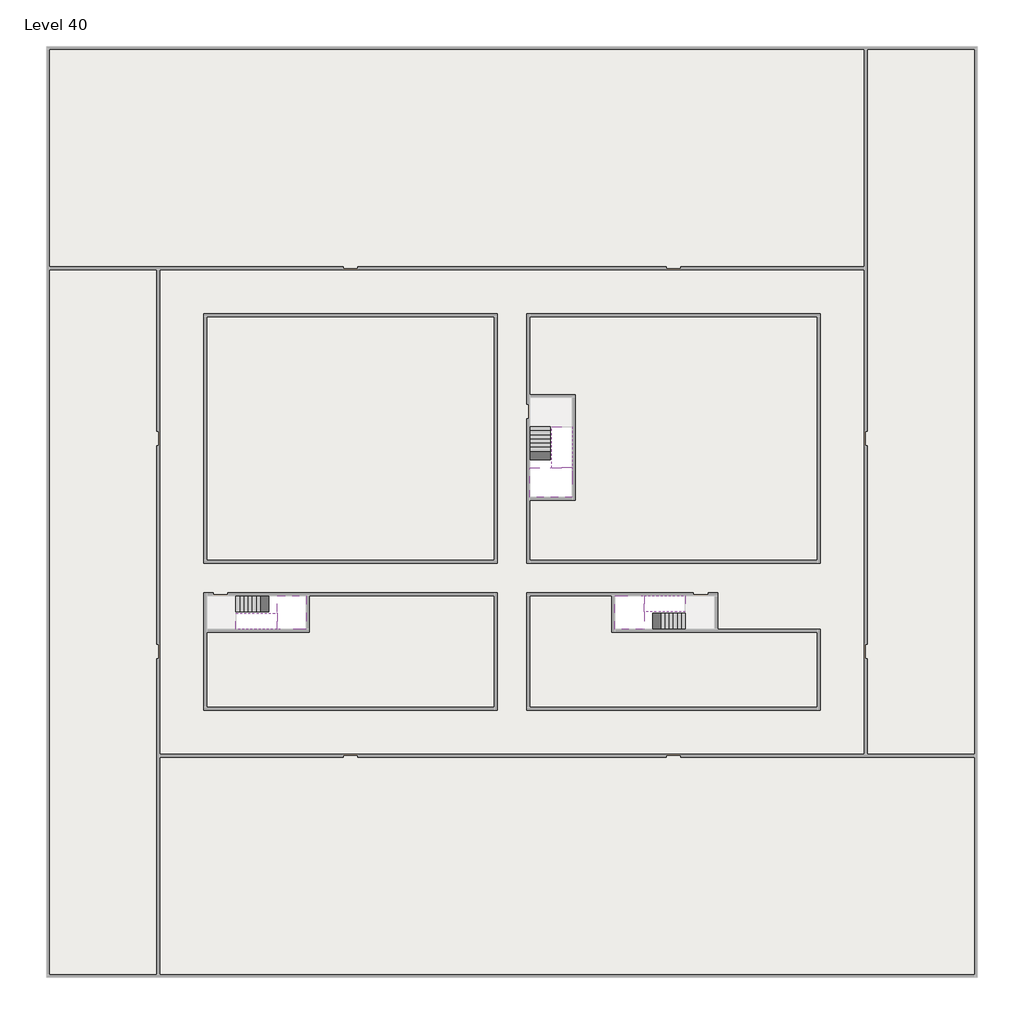
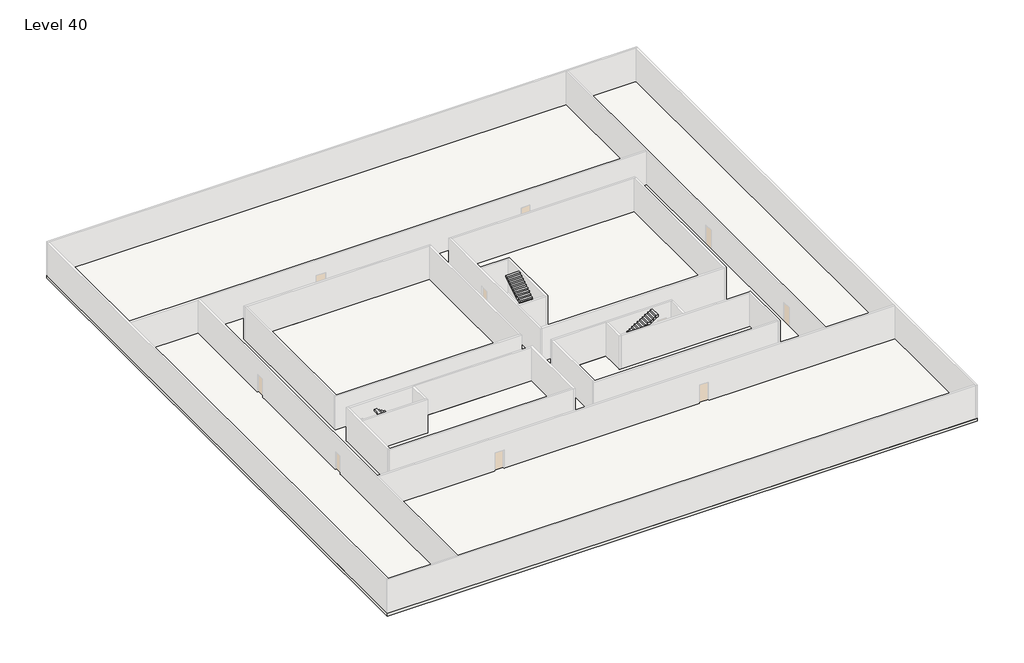
# One storey, part 2 of 2: 6 stair flights, 5 slabs.
"""IFC4 building model written with IfcOpenShell, lengths in millimetres."""

from ifc_helpers import new_model, si_unit, frame, origin, place, context, project, spatial, polyline, outline, extrude, faceted_brep, element, save

model = new_model("IFC4")

# Units and contexts
model_context = context("Model", 3, world=origin())
ifc_project = project(units=[si_unit("LENGTHUNIT", "METRE", prefix="MILLI")], contexts=[model_context])

# Site, building, storey
site = spatial("IfcSite", under=ifc_project)
building = spatial("IfcBuilding", under=site)
storey = spatial("IfcBuildingStorey", under=building, Name="Level 40", Elevation=148200.0)

# Slabs
placement = place(None, origin())
element("IfcSlab", 1, at=placement, inside=storey, context=model_context, shape_type="Brep", body=[
    faceted_brep([(8190.1058784, -42918.09644, 150100.0), (8190.1058784, -44018.09644, 150100.0), (8190.1058784, -44118.09644, 150100.0), (8190.1058784, -45218.09644, 150100.0), (8390.7194421, -45218.09644, 150100.0), (10190.1058784, -45218.09644, 150100.0), (10190.1058784, -42918.09644, 150100.0), (8269.4923146, -42918.09644, 150100.0), (8190.1058784, -42918.09644, 149927.2727273), (8190.1058784, -42918.09644, 149751.0278478), (8190.1058784, -44018.09644, 149751.0278478), (8190.1058784, -44018.09644, 149800.0), (8190.1058784, -44118.09644, 149800.0), (8190.1058784, -44118.09644, 149923.7551205), (8190.1058784, -45218.09644, 149923.7551205), (8390.7194421, -45218.09644, 149800.0), (10190.1058784, -45218.09644, 149800.0), (10190.1058784, -42918.09644, 149800.0), (8269.4923146, -42918.09644, 149800.0), (8390.7194421, -44118.09644, 149800.0), (8269.4923146, -44018.09644, 149800.0)], [[[0, 1, 2, 3, 4, 5, 6, 7]], [[1, 0, 8, 9, 10, 11]], [[2, 1, 11, 12, 13]], [[3, 2, 13, 14]], [[3, 14, 15, 16, 5, 4]], [[6, 5, 16, 17]], [[9, 8, 0, 7, 6, 17, 18]], [[19, 12, 11, 20, 18, 17, 16, 15]], [[12, 19, 13]], [[18, 20, 10, 9]], [[20, 11, 10]], [[19, 15, 14, 13]]]),
])
element("IfcSlab", 2, at=placement, inside=storey, context=model_context, shape_type="Brep", body=[
    faceted_brep([(33190.1058784, -45218.09644, 150100.0), (33190.1058784, -44118.09644, 150100.0), (33190.1058784, -44018.09644, 150100.0), (33190.1058784, -42918.09644, 150100.0), (32989.4923146, -42918.09644, 150100.0), (31190.1058784, -42918.09644, 150100.0), (31190.1058784, -45218.09644, 150100.0), (33110.7194421, -45218.09644, 150100.0), (33190.1058784, -45218.09644, 149927.2727273), (33190.1058784, -45218.09644, 149751.0278478), (33190.1058784, -44118.09644, 149751.0278478), (33190.1058784, -44118.09644, 149800.0), (33190.1058784, -44018.09644, 149800.0), (33190.1058784, -44018.09644, 149923.7551205), (33190.1058784, -42918.09644, 149923.7551205), (32989.4923146, -42918.09644, 149800.0), (31190.1058784, -42918.09644, 149800.0), (31190.1058784, -45218.09644, 149800.0), (33110.7194421, -45218.09644, 149800.0), (32989.4923146, -44018.09644, 149800.0), (33110.7194421, -44118.09644, 149800.0)], [[[0, 1, 2, 3, 4, 5, 6, 7]], [[1, 0, 8, 9, 10, 11]], [[2, 1, 11, 12, 13]], [[3, 2, 13, 14]], [[3, 14, 15, 16, 5, 4]], [[6, 5, 16, 17]], [[9, 8, 0, 7, 6, 17, 18]], [[19, 12, 11, 20, 18, 17, 16, 15]], [[12, 19, 13]], [[18, 20, 10, 9]], [[20, 11, 10]], [[19, 15, 14, 13]]]),
])
element("IfcSlab", 3, at=placement, inside=storey, context=model_context, shape_type="Brep", body=[
    faceted_brep([(26790.1058784, -34218.09644, 150100.0), (25390.1058784, -34218.09644, 150100.0), (25390.1058784, -34297.4828763, 150100.0), (25390.1058784, -36218.09644, 150100.0), (28290.1058784, -36218.09644, 150100.0), (28290.1058784, -34418.7100038, 150100.0), (28290.1058784, -34218.09644, 150100.0), (26890.1058784, -34218.09644, 150100.0), (26790.1058784, -34218.09644, 149800.0), (26790.1058784, -34218.09644, 149751.0278478), (25390.1058784, -34218.09644, 149751.0278478), (25390.1058784, -34218.09644, 149927.2727273), (25390.1058784, -34297.4828763, 149800.0), (25390.1058784, -36218.09644, 149800.0), (28290.1058784, -36218.09644, 149800.0), (28290.1058784, -34418.7100038, 149800.0), (28290.1058784, -34218.09644, 149923.7551205), (26890.1058784, -34218.09644, 149923.7551205), (26890.1058784, -34218.09644, 149800.0), (26890.1058784, -34418.7100038, 149800.0), (26790.1058784, -34297.4828763, 149800.0)], [[[0, 1, 2, 3, 4, 5, 6, 7]], [[1, 0, 8, 9, 10, 11]], [[1, 11, 10, 12, 13, 3, 2]], [[4, 3, 13, 14]], [[4, 14, 15, 16, 6, 5]], [[7, 6, 16, 17]], [[0, 7, 17, 18, 8]], [[18, 19, 15, 14, 13, 12, 20, 8]], [[19, 18, 17]], [[20, 12, 10, 9]], [[8, 20, 9]], [[15, 19, 17, 16]]]),
])
element("IfcSlab", 4, at=placement, inside=storey, context=model_context, shape_type="SweptSolid", body=[
    extrude(outline(polyline([(55890.1058784, -5518.09644), (55890.1058784, -68918.09644), (-7509.8941216, -68918.09644), (-7509.8941216, -5518.09644), (55890.1058784, -5518.09644)]), holes=[polyline([(22990.1058784, -23918.09644), (3390.1058784, -23918.09644), (3390.1058784, -40518.09644), (22990.1058784, -40518.09644), (22990.1058784, -23918.09644)]), polyline([(44990.1058784, -23918.09644), (25390.1058784, -23918.09644), (25390.1058784, -40518.09644), (44990.1058784, -40518.09644), (44990.1058784, -23918.09644)]), polyline([(37990.1058784, -42918.09644), (25390.1058784, -42918.09644), (25390.1058784, -50518.09644), (44990.1058784, -50518.09644), (44990.1058784, -45418.09644), (37990.1058784, -45418.09644), (37990.1058784, -42918.09644)]), polyline([(22990.1058784, -42918.09644), (3390.1058784, -42918.09644), (3390.1058784, -50518.09644), (22990.1058784, -50518.09644), (22990.1058784, -42918.09644)])]), frame((0.0, 0.0, 147900.0), z_axis=(0.0, 0.0, 1.0), x_axis=(1.0, 0.0, 0.0)), (0.0, 0.0, 1.0), 300.0),
])
element("IfcSlab", 5, at=placement, inside=storey, context=model_context, shape_type="SweptSolid", body=[
    extrude(outline(polyline([(22990.1058784, -23918.09644), (22990.1058784, -40518.09644), (3390.1058784, -40518.09644), (3390.1058784, -23918.09644), (22990.1058784, -23918.09644)])), frame((0.0, 0.0, 147900.0), z_axis=(0.0, 0.0, 1.0), x_axis=(1.0, 0.0, 0.0)), (0.0, 0.0, 1.0), 300.0),
    extrude(outline(polyline([(44990.1058784, -23918.09644), (44990.1058784, -40518.09644), (25390.1058784, -40518.09644), (25390.1058784, -36418.09644), (28490.1058784, -36418.09644), (28490.1058784, -29218.09644), (25390.1058784, -29218.09644), (25390.1058784, -23918.09644), (44990.1058784, -23918.09644)])), frame((0.0, 0.0, 147900.0), z_axis=(0.0, 0.0, 1.0), x_axis=(1.0, 0.0, 0.0)), (0.0, 0.0, 1.0), 300.0),
    extrude(outline(polyline([(22990.1058784, -42918.09644), (22990.1058784, -50518.09644), (3390.1058784, -50518.09644), (3390.1058784, -45418.09644), (10390.1058784, -45418.09644), (10390.1058784, -42918.09644), (22990.1058784, -42918.09644)])), frame((0.0, 0.0, 147900.0), z_axis=(0.0, 0.0, 1.0), x_axis=(1.0, 0.0, 0.0)), (0.0, 0.0, 1.0), 300.0),
    extrude(outline(polyline([(30990.1058784, -42918.09644), (30990.1058784, -45418.09644), (44990.1058784, -45418.09644), (44990.1058784, -50518.09644), (25390.1058784, -50518.09644), (25390.1058784, -42918.09644), (30990.1058784, -42918.09644)])), frame((0.0, 0.0, 147900.0), z_axis=(0.0, 0.0, 1.0), x_axis=(1.0, 0.0, 0.0)), (0.0, 0.0, 1.0), 300.0),
])

# Stair flights
element("IfcStairFlight", 6, at=placement, inside=storey, context=model_context, shape_type="Brep", body=[
    faceted_brep([(5670.1058784, -42918.09644, 148372.7272727), (5390.1058784, -42918.09644, 148372.7272727), (5390.1058784, -44018.09644, 148372.7272727), (5670.1058784, -44018.09644, 148372.7272727), (5670.1058784, -42918.09644, 148200.0), (5390.1058784, -42918.09644, 148200.0), (5390.1058784, -44018.09644, 148200.0), (5670.1058784, -44018.09644, 148200.0), (5950.1058784, -42918.09644, 148545.4545455), (5670.1058784, -42918.09644, 148545.4545455), (5670.1058784, -44018.09644, 148545.4545455), (5950.1058784, -44018.09644, 148545.4545455), (5950.1058784, -42918.09644, 148369.209666), (5675.8081041, -42918.09644, 148200.0), (5675.8081041, -44018.09644, 148200.0), (5950.1058784, -44018.09644, 148369.209666), (6230.1058784, -42918.09644, 148718.1818182), (5950.1058784, -42918.09644, 148718.1818182), (5950.1058784, -44018.09644, 148718.1818182), (6230.1058784, -44018.09644, 148718.1818182), (6230.1058784, -42918.09644, 148541.9369387), (6230.1058784, -44018.09644, 148541.9369387), (6510.1058784, -42918.09644, 148890.9090909), (6230.1058784, -42918.09644, 148890.9090909), (6230.1058784, -44018.09644, 148890.9090909), (6510.1058784, -44018.09644, 148890.9090909), (6510.1058784, -42918.09644, 148714.6642114), (6510.1058784, -44018.09644, 148714.6642114), (6790.1058784, -42918.09644, 149063.6363636), (6510.1058784, -42918.09644, 149063.6363636), (6510.1058784, -44018.09644, 149063.6363636), (6790.1058784, -44018.09644, 149063.6363636), (6790.1058784, -42918.09644, 148887.3914841), (6790.1058784, -44018.09644, 148887.3914841), (7070.1058784, -42918.09644, 149236.3636364), (6790.1058784, -42918.09644, 149236.3636364), (6790.1058784, -44018.09644, 149236.3636364), (7070.1058784, -44018.09644, 149236.3636364), (7070.1058784, -42918.09644, 149060.1187569), (7070.1058784, -44018.09644, 149060.1187569), (7350.1058784, -42918.09644, 149409.0909091), (7070.1058784, -42918.09644, 149409.0909091), (7070.1058784, -44018.09644, 149409.0909091), (7350.1058784, -44018.09644, 149409.0909091), (7350.1058784, -42918.09644, 149232.8460296), (7350.1058784, -44018.09644, 149232.8460296), (7630.1058784, -42918.09644, 149581.8181818), (7350.1058784, -42918.09644, 149581.8181818), (7350.1058784, -44018.09644, 149581.8181818), (7630.1058784, -44018.09644, 149581.8181818), (7630.1058784, -42918.09644, 149405.5733023), (7630.1058784, -44018.09644, 149405.5733023), (7910.1058784, -42918.09644, 149754.5454545), (7630.1058784, -42918.09644, 149754.5454545), (7630.1058784, -44018.09644, 149754.5454545), (7910.1058784, -44018.09644, 149754.5454545), (7910.1058784, -42918.09644, 149578.3005751), (7910.1058784, -44018.09644, 149578.3005751), (8190.1058784, -42918.09644, 149927.2727273), (7910.1058784, -42918.09644, 149927.2727273), (7910.1058784, -44018.09644, 149927.2727273), (8190.1058784, -44018.09644, 149927.2727273), (8190.1058784, -42918.09644, 149751.0278478), (8190.1058784, -44018.09644, 149751.0278478), (8190.1058784, -44018.09644, 149800.0)], [[[0, 1, 2, 3]], [[1, 0, 4, 5]], [[2, 1, 5, 6]], [[3, 2, 6, 7]], [[8, 9, 10, 11]], [[4, 0, 9, 8, 12, 13]], [[0, 3, 10, 9]], [[3, 7, 14, 15, 11, 10]], [[16, 17, 18, 19]], [[17, 16, 20, 12, 8]], [[8, 11, 18, 17]], [[19, 18, 11, 15, 21]], [[22, 23, 24, 25]], [[23, 22, 26, 20, 16]], [[16, 19, 24, 23]], [[25, 24, 19, 21, 27]], [[28, 29, 30, 31]], [[29, 28, 32, 26, 22]], [[22, 25, 30, 29]], [[31, 30, 25, 27, 33]], [[34, 35, 36, 37]], [[35, 34, 38, 32, 28]], [[28, 31, 36, 35]], [[37, 36, 31, 33, 39]], [[40, 41, 42, 43]], [[41, 40, 44, 38, 34]], [[34, 37, 42, 41]], [[43, 42, 37, 39, 45]], [[46, 47, 48, 49]], [[47, 46, 50, 44, 40]], [[40, 43, 48, 47]], [[49, 48, 43, 45, 51]], [[52, 53, 54, 55]], [[53, 52, 56, 50, 46]], [[46, 49, 54, 53]], [[55, 54, 49, 51, 57]], [[58, 59, 60, 61]], [[59, 58, 62, 56, 52]], [[52, 55, 60, 59]], [[61, 60, 55, 57, 63, 64]], [[58, 61, 64, 63, 62]], [[5, 4, 13, 14, 7, 6]], [[14, 13, 12, 20, 26, 32, 38, 44, 50, 56, 62, 63, 57, 51, 45, 39, 33, 27, 21, 15]]]),
])
element("IfcStairFlight", 7, at=placement, inside=storey, context=model_context, shape_type="Brep", body=[
    faceted_brep([(7910.1058784, -45218.09644, 150272.7272727), (8190.1058784, -45218.09644, 150272.7272727), (8190.1058784, -44118.09644, 150272.7272727), (7910.1058784, -44118.09644, 150272.7272727), (7910.1058784, -45218.09644, 150096.4823932), (8190.1058784, -45218.09644, 149923.7551205), (8190.1058784, -45218.09644, 150100.0), (8190.1058784, -44118.09644, 149923.7551205), (7910.1058784, -44118.09644, 150096.4823932), (7630.1058784, -45218.09644, 150445.4545455), (7910.1058784, -45218.09644, 150445.4545455), (7910.1058784, -44118.09644, 150445.4545455), (7630.1058784, -44118.09644, 150445.4545455), (7630.1058784, -45218.09644, 150269.209666), (7630.1058784, -44118.09644, 150269.209666), (7350.1058784, -45218.09644, 150618.1818182), (7630.1058784, -45218.09644, 150618.1818182), (7630.1058784, -44118.09644, 150618.1818182), (7350.1058784, -44118.09644, 150618.1818182), (7350.1058784, -45218.09644, 150441.9369387), (7350.1058784, -44118.09644, 150441.9369387), (7070.1058784, -45218.09644, 150790.9090909), (7350.1058784, -45218.09644, 150790.9090909), (7350.1058784, -44118.09644, 150790.9090909), (7070.1058784, -44118.09644, 150790.9090909), (7070.1058784, -45218.09644, 150614.6642114), (7070.1058784, -44118.09644, 150614.6642114), (6790.1058784, -45218.09644, 150963.6363636), (7070.1058784, -45218.09644, 150963.6363636), (7070.1058784, -44118.09644, 150963.6363636), (6790.1058784, -44118.09644, 150963.6363636), (6790.1058784, -45218.09644, 150787.3914841), (6790.1058784, -44118.09644, 150787.3914841), (6510.1058784, -45218.09644, 151136.3636364), (6790.1058784, -45218.09644, 151136.3636364), (6790.1058784, -44118.09644, 151136.3636364), (6510.1058784, -44118.09644, 151136.3636364), (6510.1058784, -45218.09644, 150960.1187569), (6510.1058784, -44118.09644, 150960.1187569), (6230.1058784, -45218.09644, 151309.0909091), (6510.1058784, -45218.09644, 151309.0909091), (6510.1058784, -44118.09644, 151309.0909091), (6230.1058784, -44118.09644, 151309.0909091), (6230.1058784, -45218.09644, 151132.8460296), (6230.1058784, -44118.09644, 151132.8460296), (5950.1058784, -45218.09644, 151481.8181818), (6230.1058784, -45218.09644, 151481.8181818), (6230.1058784, -44118.09644, 151481.8181818), (5950.1058784, -44118.09644, 151481.8181818), (5950.1058784, -45218.09644, 151305.5733023), (5950.1058784, -44118.09644, 151305.5733023), (5670.1058784, -45218.09644, 151654.5454545), (5950.1058784, -45218.09644, 151654.5454545), (5950.1058784, -44118.09644, 151654.5454545), (5670.1058784, -44118.09644, 151654.5454545), (5670.1058784, -45218.09644, 151478.3005751), (5670.1058784, -44118.09644, 151478.3005751), (5390.1058784, -45218.09644, 151827.2727273), (5670.1058784, -45218.09644, 151827.2727273), (5670.1058784, -44118.09644, 151827.2727273), (5390.1058784, -44118.09644, 151827.2727273), (5390.1058784, -45218.09644, 151651.0278478), (5390.1058784, -44118.09644, 151651.0278478)], [[[0, 1, 2, 3]], [[1, 0, 4, 5, 6]], [[2, 1, 6, 5, 7]], [[3, 2, 7, 8]], [[9, 10, 11, 12]], [[10, 9, 13, 4, 0]], [[11, 10, 0, 3]], [[12, 11, 3, 8, 14]], [[15, 16, 17, 18]], [[16, 15, 19, 13, 9]], [[17, 16, 9, 12]], [[18, 17, 12, 14, 20]], [[21, 22, 23, 24]], [[22, 21, 25, 19, 15]], [[23, 22, 15, 18]], [[24, 23, 18, 20, 26]], [[27, 28, 29, 30]], [[28, 27, 31, 25, 21]], [[29, 28, 21, 24]], [[30, 29, 24, 26, 32]], [[33, 34, 35, 36]], [[34, 33, 37, 31, 27]], [[35, 34, 27, 30]], [[36, 35, 30, 32, 38]], [[39, 40, 41, 42]], [[40, 39, 43, 37, 33]], [[41, 40, 33, 36]], [[42, 41, 36, 38, 44]], [[45, 46, 47, 48]], [[46, 45, 49, 43, 39]], [[47, 46, 39, 42]], [[48, 47, 42, 44, 50]], [[51, 52, 53, 54]], [[52, 51, 55, 49, 45]], [[53, 52, 45, 48]], [[54, 53, 48, 50, 56]], [[57, 58, 59, 60]], [[58, 57, 61, 55, 51]], [[59, 58, 51, 54]], [[60, 59, 54, 56, 62]], [[57, 60, 62, 61]], [[5, 4, 13, 19, 25, 31, 37, 43, 49, 55, 61, 62, 56, 50, 44, 38, 32, 26, 20, 14, 8, 7]]]),
])
element("IfcStairFlight", 8, at=placement, inside=storey, context=model_context, shape_type="Brep", body=[
    faceted_brep([(35710.1058784, -45218.09644, 148372.7272727), (35990.1058784, -45218.09644, 148372.7272727), (35990.1058784, -44118.09644, 148372.7272727), (35710.1058784, -44118.09644, 148372.7272727), (35710.1058784, -45218.09644, 148200.0), (35990.1058784, -45218.09644, 148200.0), (35990.1058784, -44118.09644, 148200.0), (35710.1058784, -44118.09644, 148200.0), (35430.1058784, -45218.09644, 148545.4545455), (35710.1058784, -45218.09644, 148545.4545455), (35710.1058784, -44118.09644, 148545.4545455), (35430.1058784, -44118.09644, 148545.4545455), (35430.1058784, -45218.09644, 148369.209666), (35704.4036527, -45218.09644, 148200.0), (35704.4036527, -44118.09644, 148200.0), (35430.1058784, -44118.09644, 148369.209666), (35150.1058784, -45218.09644, 148718.1818182), (35430.1058784, -45218.09644, 148718.1818182), (35430.1058784, -44118.09644, 148718.1818182), (35150.1058784, -44118.09644, 148718.1818182), (35150.1058784, -45218.09644, 148541.9369387), (35150.1058784, -44118.09644, 148541.9369387), (34870.1058784, -45218.09644, 148890.9090909), (35150.1058784, -45218.09644, 148890.9090909), (35150.1058784, -44118.09644, 148890.9090909), (34870.1058784, -44118.09644, 148890.9090909), (34870.1058784, -45218.09644, 148714.6642114), (34870.1058784, -44118.09644, 148714.6642114), (34590.1058784, -45218.09644, 149063.6363636), (34870.1058784, -45218.09644, 149063.6363636), (34870.1058784, -44118.09644, 149063.6363636), (34590.1058784, -44118.09644, 149063.6363636), (34590.1058784, -45218.09644, 148887.3914841), (34590.1058784, -44118.09644, 148887.3914841), (34310.1058784, -45218.09644, 149236.3636364), (34590.1058784, -45218.09644, 149236.3636364), (34590.1058784, -44118.09644, 149236.3636364), (34310.1058784, -44118.09644, 149236.3636364), (34310.1058784, -45218.09644, 149060.1187569), (34310.1058784, -44118.09644, 149060.1187569), (34030.1058784, -45218.09644, 149409.0909091), (34310.1058784, -45218.09644, 149409.0909091), (34310.1058784, -44118.09644, 149409.0909091), (34030.1058784, -44118.09644, 149409.0909091), (34030.1058784, -45218.09644, 149232.8460296), (34030.1058784, -44118.09644, 149232.8460296), (33750.1058784, -45218.09644, 149581.8181818), (34030.1058784, -45218.09644, 149581.8181818), (34030.1058784, -44118.09644, 149581.8181818), (33750.1058784, -44118.09644, 149581.8181818), (33750.1058784, -45218.09644, 149405.5733023), (33750.1058784, -44118.09644, 149405.5733023), (33470.1058784, -45218.09644, 149754.5454545), (33750.1058784, -45218.09644, 149754.5454545), (33750.1058784, -44118.09644, 149754.5454545), (33470.1058784, -44118.09644, 149754.5454545), (33470.1058784, -45218.09644, 149578.3005751), (33470.1058784, -44118.09644, 149578.3005751), (33190.1058784, -45218.09644, 149927.2727273), (33470.1058784, -45218.09644, 149927.2727273), (33470.1058784, -44118.09644, 149927.2727273), (33190.1058784, -44118.09644, 149927.2727273), (33190.1058784, -45218.09644, 149751.0278478), (33190.1058784, -44118.09644, 149751.0278478), (33190.1058784, -44118.09644, 149800.0)], [[[0, 1, 2, 3]], [[1, 0, 4, 5]], [[2, 1, 5, 6]], [[3, 2, 6, 7]], [[8, 9, 10, 11]], [[4, 0, 9, 8, 12, 13]], [[0, 3, 10, 9]], [[3, 7, 14, 15, 11, 10]], [[16, 17, 18, 19]], [[17, 16, 20, 12, 8]], [[8, 11, 18, 17]], [[19, 18, 11, 15, 21]], [[22, 23, 24, 25]], [[23, 22, 26, 20, 16]], [[16, 19, 24, 23]], [[25, 24, 19, 21, 27]], [[28, 29, 30, 31]], [[29, 28, 32, 26, 22]], [[22, 25, 30, 29]], [[31, 30, 25, 27, 33]], [[34, 35, 36, 37]], [[35, 34, 38, 32, 28]], [[28, 31, 36, 35]], [[37, 36, 31, 33, 39]], [[40, 41, 42, 43]], [[41, 40, 44, 38, 34]], [[34, 37, 42, 41]], [[43, 42, 37, 39, 45]], [[46, 47, 48, 49]], [[47, 46, 50, 44, 40]], [[40, 43, 48, 47]], [[49, 48, 43, 45, 51]], [[52, 53, 54, 55]], [[53, 52, 56, 50, 46]], [[46, 49, 54, 53]], [[55, 54, 49, 51, 57]], [[58, 59, 60, 61]], [[59, 58, 62, 56, 52]], [[52, 55, 60, 59]], [[61, 60, 55, 57, 63, 64]], [[58, 61, 64, 63, 62]], [[5, 4, 13, 14, 7, 6]], [[14, 13, 12, 20, 26, 32, 38, 44, 50, 56, 62, 63, 57, 51, 45, 39, 33, 27, 21, 15]]]),
])
element("IfcStairFlight", 9, at=placement, inside=storey, context=model_context, shape_type="Brep", body=[
    faceted_brep([(33470.1058784, -42918.09644, 150272.7272727), (33190.1058784, -42918.09644, 150272.7272727), (33190.1058784, -44018.09644, 150272.7272727), (33470.1058784, -44018.09644, 150272.7272727), (33470.1058784, -42918.09644, 150096.4823932), (33190.1058784, -42918.09644, 149923.7551205), (33190.1058784, -42918.09644, 150100.0), (33190.1058784, -44018.09644, 149923.7551205), (33470.1058784, -44018.09644, 150096.4823932), (33750.1058784, -42918.09644, 150445.4545455), (33470.1058784, -42918.09644, 150445.4545455), (33470.1058784, -44018.09644, 150445.4545455), (33750.1058784, -44018.09644, 150445.4545455), (33750.1058784, -42918.09644, 150269.209666), (33750.1058784, -44018.09644, 150269.209666), (34030.1058784, -42918.09644, 150618.1818182), (33750.1058784, -42918.09644, 150618.1818182), (33750.1058784, -44018.09644, 150618.1818182), (34030.1058784, -44018.09644, 150618.1818182), (34030.1058784, -42918.09644, 150441.9369387), (34030.1058784, -44018.09644, 150441.9369387), (34310.1058784, -42918.09644, 150790.9090909), (34030.1058784, -42918.09644, 150790.9090909), (34030.1058784, -44018.09644, 150790.9090909), (34310.1058784, -44018.09644, 150790.9090909), (34310.1058784, -42918.09644, 150614.6642114), (34310.1058784, -44018.09644, 150614.6642114), (34590.1058784, -42918.09644, 150963.6363636), (34310.1058784, -42918.09644, 150963.6363636), (34310.1058784, -44018.09644, 150963.6363636), (34590.1058784, -44018.09644, 150963.6363636), (34590.1058784, -42918.09644, 150787.3914841), (34590.1058784, -44018.09644, 150787.3914841), (34870.1058784, -42918.09644, 151136.3636364), (34590.1058784, -42918.09644, 151136.3636364), (34590.1058784, -44018.09644, 151136.3636364), (34870.1058784, -44018.09644, 151136.3636364), (34870.1058784, -42918.09644, 150960.1187569), (34870.1058784, -44018.09644, 150960.1187569), (35150.1058784, -42918.09644, 151309.0909091), (34870.1058784, -42918.09644, 151309.0909091), (34870.1058784, -44018.09644, 151309.0909091), (35150.1058784, -44018.09644, 151309.0909091), (35150.1058784, -42918.09644, 151132.8460296), (35150.1058784, -44018.09644, 151132.8460296), (35430.1058784, -42918.09644, 151481.8181818), (35150.1058784, -42918.09644, 151481.8181818), (35150.1058784, -44018.09644, 151481.8181818), (35430.1058784, -44018.09644, 151481.8181818), (35430.1058784, -42918.09644, 151305.5733023), (35430.1058784, -44018.09644, 151305.5733023), (35710.1058784, -42918.09644, 151654.5454545), (35430.1058784, -42918.09644, 151654.5454545), (35430.1058784, -44018.09644, 151654.5454545), (35710.1058784, -44018.09644, 151654.5454545), (35710.1058784, -42918.09644, 151478.3005751), (35710.1058784, -44018.09644, 151478.3005751), (35990.1058784, -42918.09644, 151827.2727273), (35710.1058784, -42918.09644, 151827.2727273), (35710.1058784, -44018.09644, 151827.2727273), (35990.1058784, -44018.09644, 151827.2727273), (35990.1058784, -42918.09644, 151651.0278478), (35990.1058784, -44018.09644, 151651.0278478)], [[[0, 1, 2, 3]], [[1, 0, 4, 5, 6]], [[2, 1, 6, 5, 7]], [[3, 2, 7, 8]], [[9, 10, 11, 12]], [[10, 9, 13, 4, 0]], [[11, 10, 0, 3]], [[12, 11, 3, 8, 14]], [[15, 16, 17, 18]], [[16, 15, 19, 13, 9]], [[17, 16, 9, 12]], [[18, 17, 12, 14, 20]], [[21, 22, 23, 24]], [[22, 21, 25, 19, 15]], [[23, 22, 15, 18]], [[24, 23, 18, 20, 26]], [[27, 28, 29, 30]], [[28, 27, 31, 25, 21]], [[29, 28, 21, 24]], [[30, 29, 24, 26, 32]], [[33, 34, 35, 36]], [[34, 33, 37, 31, 27]], [[35, 34, 27, 30]], [[36, 35, 30, 32, 38]], [[39, 40, 41, 42]], [[40, 39, 43, 37, 33]], [[41, 40, 33, 36]], [[42, 41, 36, 38, 44]], [[45, 46, 47, 48]], [[46, 45, 49, 43, 39]], [[47, 46, 39, 42]], [[48, 47, 42, 44, 50]], [[51, 52, 53, 54]], [[52, 51, 55, 49, 45]], [[53, 52, 45, 48]], [[54, 53, 48, 50, 56]], [[57, 58, 59, 60]], [[58, 57, 61, 55, 51]], [[59, 58, 51, 54]], [[60, 59, 54, 56, 62]], [[57, 60, 62, 61]], [[5, 4, 13, 19, 25, 31, 37, 43, 49, 55, 61, 62, 56, 50, 44, 38, 32, 26, 20, 14, 8, 7]]]),
])
element("IfcStairFlight", 10, at=placement, inside=storey, context=model_context, shape_type="Brep", body=[
    faceted_brep([(26790.1058784, -31698.09644, 148372.7272727), (26790.1058784, -31418.09644, 148372.7272727), (25390.1058784, -31418.09644, 148372.7272727), (25390.1058784, -31698.09644, 148372.7272727), (26790.1058784, -31698.09644, 148200.0), (26790.1058784, -31418.09644, 148200.0), (25390.1058784, -31418.09644, 148200.0), (25390.1058784, -31698.09644, 148200.0), (26790.1058784, -31978.09644, 148545.4545455), (26790.1058784, -31698.09644, 148545.4545455), (25390.1058784, -31698.09644, 148545.4545455), (25390.1058784, -31978.09644, 148545.4545455), (26790.1058784, -31978.09644, 148369.209666), (26790.1058784, -31703.7986657, 148200.0), (25390.1058784, -31703.7986657, 148200.0), (25390.1058784, -31978.09644, 148369.209666), (26790.1058784, -32258.09644, 148718.1818182), (26790.1058784, -31978.09644, 148718.1818182), (25390.1058784, -31978.09644, 148718.1818182), (25390.1058784, -32258.09644, 148718.1818182), (26790.1058784, -32258.09644, 148541.9369387), (25390.1058784, -32258.09644, 148541.9369387), (26790.1058784, -32538.09644, 148890.9090909), (26790.1058784, -32258.09644, 148890.9090909), (25390.1058784, -32258.09644, 148890.9090909), (25390.1058784, -32538.09644, 148890.9090909), (26790.1058784, -32538.09644, 148714.6642114), (25390.1058784, -32538.09644, 148714.6642114), (26790.1058784, -32818.09644, 149063.6363636), (26790.1058784, -32538.09644, 149063.6363636), (25390.1058784, -32538.09644, 149063.6363636), (25390.1058784, -32818.09644, 149063.6363636), (26790.1058784, -32818.09644, 148887.3914841), (25390.1058784, -32818.09644, 148887.3914841), (26790.1058784, -33098.09644, 149236.3636364), (26790.1058784, -32818.09644, 149236.3636364), (25390.1058784, -32818.09644, 149236.3636364), (25390.1058784, -33098.09644, 149236.3636364), (26790.1058784, -33098.09644, 149060.1187569), (25390.1058784, -33098.09644, 149060.1187569), (26790.1058784, -33378.09644, 149409.0909091), (26790.1058784, -33098.09644, 149409.0909091), (25390.1058784, -33098.09644, 149409.0909091), (25390.1058784, -33378.09644, 149409.0909091), (26790.1058784, -33378.09644, 149232.8460296), (25390.1058784, -33378.09644, 149232.8460296), (26790.1058784, -33658.09644, 149581.8181818), (26790.1058784, -33378.09644, 149581.8181818), (25390.1058784, -33378.09644, 149581.8181818), (25390.1058784, -33658.09644, 149581.8181818), (26790.1058784, -33658.09644, 149405.5733023), (25390.1058784, -33658.09644, 149405.5733023), (26790.1058784, -33938.09644, 149754.5454545), (26790.1058784, -33658.09644, 149754.5454545), (25390.1058784, -33658.09644, 149754.5454545), (25390.1058784, -33938.09644, 149754.5454545), (26790.1058784, -33938.09644, 149578.3005751), (25390.1058784, -33938.09644, 149578.3005751), (26790.1058784, -34218.09644, 149927.2727273), (26790.1058784, -33938.09644, 149927.2727273), (25390.1058784, -33938.09644, 149927.2727273), (25390.1058784, -34218.09644, 149927.2727273), (26790.1058784, -34218.09644, 149800.0), (26790.1058784, -34218.09644, 149751.0278478), (25390.1058784, -34218.09644, 149751.0278478)], [[[0, 1, 2, 3]], [[1, 0, 4, 5]], [[2, 1, 5, 6]], [[3, 2, 6, 7]], [[8, 9, 10, 11]], [[4, 0, 9, 8, 12, 13]], [[0, 3, 10, 9]], [[3, 7, 14, 15, 11, 10]], [[16, 17, 18, 19]], [[17, 16, 20, 12, 8]], [[8, 11, 18, 17]], [[19, 18, 11, 15, 21]], [[22, 23, 24, 25]], [[23, 22, 26, 20, 16]], [[16, 19, 24, 23]], [[25, 24, 19, 21, 27]], [[28, 29, 30, 31]], [[29, 28, 32, 26, 22]], [[22, 25, 30, 29]], [[31, 30, 25, 27, 33]], [[34, 35, 36, 37]], [[35, 34, 38, 32, 28]], [[28, 31, 36, 35]], [[37, 36, 31, 33, 39]], [[40, 41, 42, 43]], [[41, 40, 44, 38, 34]], [[34, 37, 42, 41]], [[43, 42, 37, 39, 45]], [[46, 47, 48, 49]], [[47, 46, 50, 44, 40]], [[40, 43, 48, 47]], [[49, 48, 43, 45, 51]], [[52, 53, 54, 55]], [[53, 52, 56, 50, 46]], [[46, 49, 54, 53]], [[55, 54, 49, 51, 57]], [[58, 59, 60, 61]], [[59, 58, 62, 63, 56, 52]], [[52, 55, 60, 59]], [[61, 60, 55, 57, 64]], [[58, 61, 64, 63, 62]], [[5, 4, 13, 14, 7, 6]], [[14, 13, 12, 20, 26, 32, 38, 44, 50, 56, 63, 64, 57, 51, 45, 39, 33, 27, 21, 15]]]),
])
element("IfcStairFlight", 11, at=placement, inside=storey, context=model_context, shape_type="Brep", body=[
    faceted_brep([(26890.1058784, -33938.09644, 150272.7272727), (26890.1058784, -34218.09644, 150272.7272727), (28290.1058784, -34218.09644, 150272.7272727), (28290.1058784, -33938.09644, 150272.7272727), (26890.1058784, -33938.09644, 150096.4823932), (26890.1058784, -34218.09644, 149923.7551205), (28290.1058784, -34218.09644, 149923.7551205), (28290.1058784, -34218.09644, 150100.0), (28290.1058784, -33938.09644, 150096.4823932), (26890.1058784, -33658.09644, 150445.4545455), (26890.1058784, -33938.09644, 150445.4545455), (28290.1058784, -33938.09644, 150445.4545455), (28290.1058784, -33658.09644, 150445.4545455), (26890.1058784, -33658.09644, 150269.209666), (28290.1058784, -33658.09644, 150269.209666), (26890.1058784, -33378.09644, 150618.1818182), (26890.1058784, -33658.09644, 150618.1818182), (28290.1058784, -33658.09644, 150618.1818182), (28290.1058784, -33378.09644, 150618.1818182), (26890.1058784, -33378.09644, 150441.9369387), (28290.1058784, -33378.09644, 150441.9369387), (26890.1058784, -33098.09644, 150790.9090909), (26890.1058784, -33378.09644, 150790.9090909), (28290.1058784, -33378.09644, 150790.9090909), (28290.1058784, -33098.09644, 150790.9090909), (26890.1058784, -33098.09644, 150614.6642114), (28290.1058784, -33098.09644, 150614.6642114), (26890.1058784, -32818.09644, 150963.6363636), (26890.1058784, -33098.09644, 150963.6363636), (28290.1058784, -33098.09644, 150963.6363636), (28290.1058784, -32818.09644, 150963.6363636), (26890.1058784, -32818.09644, 150787.3914841), (28290.1058784, -32818.09644, 150787.3914841), (26890.1058784, -32538.09644, 151136.3636364), (26890.1058784, -32818.09644, 151136.3636364), (28290.1058784, -32818.09644, 151136.3636364), (28290.1058784, -32538.09644, 151136.3636364), (26890.1058784, -32538.09644, 150960.1187569), (28290.1058784, -32538.09644, 150960.1187569), (26890.1058784, -32258.09644, 151309.0909091), (26890.1058784, -32538.09644, 151309.0909091), (28290.1058784, -32538.09644, 151309.0909091), (28290.1058784, -32258.09644, 151309.0909091), (26890.1058784, -32258.09644, 151132.8460296), (28290.1058784, -32258.09644, 151132.8460296), (26890.1058784, -31978.09644, 151481.8181818), (26890.1058784, -32258.09644, 151481.8181818), (28290.1058784, -32258.09644, 151481.8181818), (28290.1058784, -31978.09644, 151481.8181818), (26890.1058784, -31978.09644, 151305.5733023), (28290.1058784, -31978.09644, 151305.5733023), (26890.1058784, -31698.09644, 151654.5454545), (26890.1058784, -31978.09644, 151654.5454545), (28290.1058784, -31978.09644, 151654.5454545), (28290.1058784, -31698.09644, 151654.5454545), (26890.1058784, -31698.09644, 151478.3005751), (28290.1058784, -31698.09644, 151478.3005751), (26890.1058784, -31418.09644, 151827.2727273), (26890.1058784, -31698.09644, 151827.2727273), (28290.1058784, -31698.09644, 151827.2727273), (28290.1058784, -31418.09644, 151827.2727273), (26890.1058784, -31418.09644, 151651.0278478), (28290.1058784, -31418.09644, 151651.0278478)], [[[0, 1, 2, 3]], [[1, 0, 4, 5]], [[2, 1, 5, 6, 7]], [[3, 2, 7, 6, 8]], [[9, 10, 11, 12]], [[10, 9, 13, 4, 0]], [[11, 10, 0, 3]], [[12, 11, 3, 8, 14]], [[15, 16, 17, 18]], [[16, 15, 19, 13, 9]], [[17, 16, 9, 12]], [[18, 17, 12, 14, 20]], [[21, 22, 23, 24]], [[22, 21, 25, 19, 15]], [[23, 22, 15, 18]], [[24, 23, 18, 20, 26]], [[27, 28, 29, 30]], [[28, 27, 31, 25, 21]], [[29, 28, 21, 24]], [[30, 29, 24, 26, 32]], [[33, 34, 35, 36]], [[34, 33, 37, 31, 27]], [[35, 34, 27, 30]], [[36, 35, 30, 32, 38]], [[39, 40, 41, 42]], [[40, 39, 43, 37, 33]], [[41, 40, 33, 36]], [[42, 41, 36, 38, 44]], [[45, 46, 47, 48]], [[46, 45, 49, 43, 39]], [[47, 46, 39, 42]], [[48, 47, 42, 44, 50]], [[51, 52, 53, 54]], [[52, 51, 55, 49, 45]], [[53, 52, 45, 48]], [[54, 53, 48, 50, 56]], [[57, 58, 59, 60]], [[58, 57, 61, 55, 51]], [[59, 58, 51, 54]], [[60, 59, 54, 56, 62]], [[57, 60, 62, 61]], [[5, 4, 13, 19, 25, 31, 37, 43, 49, 55, 61, 62, 56, 50, 44, 38, 32, 26, 20, 14, 8, 6]]]),
])

save(model, "model.ifc")
